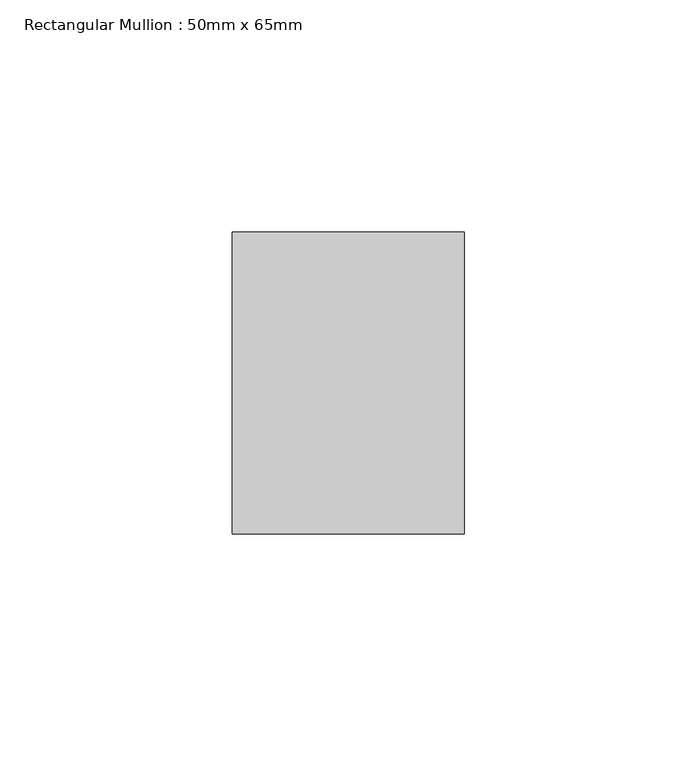
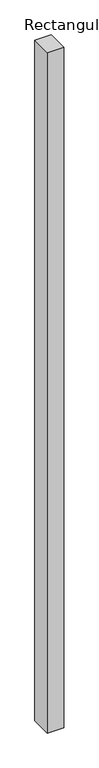
"""IFC4 building model written with IfcOpenShell, lengths in millimetres: member geometry, Rectangular Mullion : 50mm x 65mm."""

from ifc_helpers import new_model, si_unit, frame, origin, place, context, project, spatial, polyline, outline, extrude, source, transform, mapped, element, save


def rectangular_mullion_50mm_x_65mm_e6c209c1(model_context):
    return source(origin(), model_context, "Body", "SweptSolid", [
        extrude(outline(polyline([(25.0, 32.5), (25.0, -32.5), (-25.0, -32.5), (-25.0, 32.5), (25.0, 32.5)])), frame((0.0, 0.0, -2186.9743054), z_axis=(0.0, 0.0, 1.0), x_axis=(1.0, 0.0, 0.0)), (0.0, 0.0, 1.0), 2186.9743054),
    ])


if __name__ == "__main__":
    model = new_model("IFC4")
    model_context = context("Model", 3, world=origin())
    ifc_project = project(units=[si_unit("LENGTHUNIT", "METRE", prefix="MILLI")], contexts=[model_context])
    site = spatial("IfcSite", under=ifc_project)
    building = spatial("IfcBuilding", under=site)
    placement = place(None, origin())
    rectangular_mullion_50mm_x_65mm_shape = rectangular_mullion_50mm_x_65mm_e6c209c1(model_context)
    element("IfcMember", 1, ObjectType="Rectangular Mullion : 50mm x 65mm", at=placement, inside=building, context=model_context, shape_type="MappedRepresentation", body=[
        mapped(rectangular_mullion_50mm_x_65mm_shape, transform((0.0, 0.0, 0.0), x_axis=(1.0, 0.0, 0.0), y_axis=(0.0, 1.0, 0.0), z_axis=(0.0, 0.0, 1.0))),
    ])
    save(model, "model.ifc")
